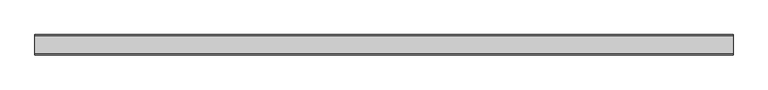
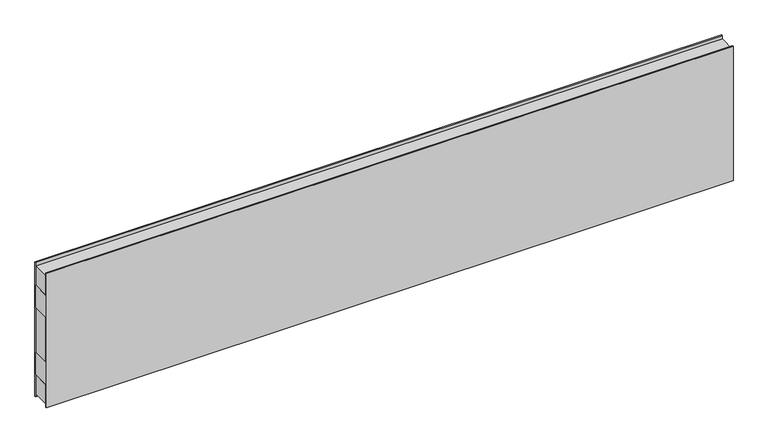
"""IFC4 building model written with IfcOpenShell, lengths in millimetres: plate geometry."""

from ifc_helpers import new_model, si_unit, frame, origin, origin_with_axes, place, context, project, spatial, polyline, outline, extrude, source, transform, mapped, element, save


def plate_22cee929(model_context):
    return source(origin(), model_context, "Body", "SweptSolid", [
        extrude(outline(polyline([(-1449.2364936, -37.5), (-1449.2364936, 37.5), (1449.2364936, 37.5), (1449.2364936, -37.5), (-1449.2364936, -37.5)])), frame((0.0, 0.0, 400.0), z_axis=(0.0, 0.0, 1.0), x_axis=(1.0, 0.0, 0.0)), (0.0, 0.0, 1.0), 100.0),
        extrude(outline(polyline([(-1449.2364936, -37.5), (-1449.2364936, 37.5), (1449.2364936, 37.5), (1449.2364936, -37.5), (-1449.2364936, -37.5)])), frame((0.0, 0.0, 100.0), z_axis=(0.0, 0.0, 1.0), x_axis=(1.0, 0.0, 0.0)), (0.0, 0.0, 1.0), 100.0),
        extrude(outline(polyline([(-1449.2364936, -42.0), (-1449.2364936, -37.5), (1449.2364936, -37.5), (1449.2364936, -42.0), (-1449.2364936, -42.0)])), origin_with_axes(), (0.0, 0.0, 1.0), 600.0),
        extrude(outline(polyline([(-1449.2364936, 37.5), (-1449.2364936, 42.0), (1449.2364936, 42.0), (1449.2364936, 37.5), (-1449.2364936, 37.5)])), origin_with_axes(), (0.0, 0.0, 1.0), 600.0),
        extrude(outline(polyline([(1449.2364936, 37.5), (1449.2364936, -37.5), (-1449.2364936, -37.5), (-1449.2364936, 37.5), (1449.2364936, 37.5)])), frame((0.0, 0.0, 500.0), z_axis=(0.0, 0.0, 1.0), x_axis=(1.0, 0.0, 0.0)), (0.0, 0.0, 1.0), 85.0),
        extrude(outline(polyline([(1449.2364936, 37.5), (1449.2364936, -37.5), (-1449.2364936, -37.5), (-1449.2364936, 37.5), (1449.2364936, 37.5)])), frame((0.0, 0.0, 15.0), z_axis=(0.0, 0.0, 1.0), x_axis=(1.0, 0.0, 0.0)), (0.0, 0.0, 1.0), 85.0),
        extrude(outline(polyline([(1449.2364936, 37.5), (1449.2364936, -37.5), (-1449.2364936, -37.5), (-1449.2364936, 37.5), (1449.2364936, 37.5)])), frame((0.0, 0.0, 200.0), z_axis=(0.0, 0.0, 1.0), x_axis=(1.0, 0.0, 0.0)), (0.0, 0.0, 1.0), 200.0),
    ])


if __name__ == "__main__":
    model = new_model("IFC4")
    model_context = context("Model", 3, world=origin())
    ifc_project = project(units=[si_unit("LENGTHUNIT", "METRE", prefix="MILLI")], contexts=[model_context])
    site = spatial("IfcSite", under=ifc_project)
    building = spatial("IfcBuilding", under=site)
    placement = place(None, origin())
    plate_shape = plate_22cee929(model_context)
    element("IfcPlate", 1, at=placement, inside=building, context=model_context, shape_type="MappedRepresentation", body=[
        mapped(plate_shape, transform((0.0, 0.0, 0.0), x_axis=(1.0, 0.0, 0.0), y_axis=(0.0, 1.0, 0.0), z_axis=(0.0, 0.0, 1.0))),
    ])
    save(model, "model.ifc")
